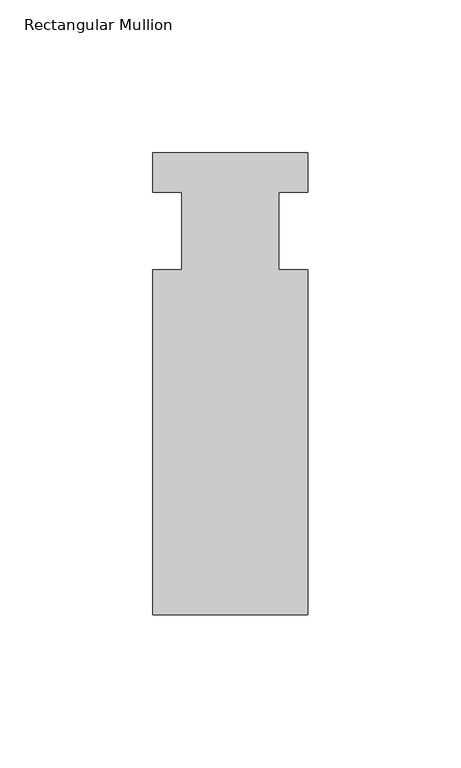
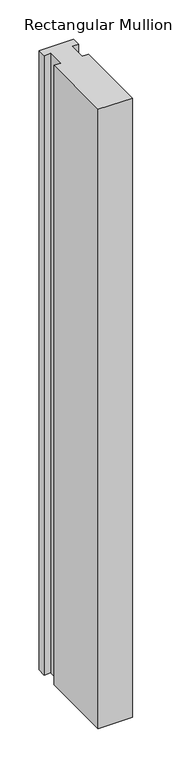
"""IFC4 building model written with IfcOpenShell, lengths in millimetres: member geometry, Rectangular Mullion."""

from ifc_helpers import new_model, si_unit, frame, origin, place, context, project, spatial, polyline, outline, extrude, source, transform, mapped, element, save


def rectangular_mullion_0e9f2f1b(model_context):
    return source(origin(), model_context, "Body", "SweptSolid", [
        extrude(outline(polyline([(-25.4, 25.58415), (25.4, 25.58415), (25.4, 12.7), (15.875, 12.7), (15.875, -12.7), (25.4, -12.7), (25.4, -125.59665), (-25.4, -125.59665), (-25.4, -12.7), (-15.875, -12.7), (-15.875, 12.7), (-25.4, 12.7), (-25.4, 25.58415)])), frame((0.0, 0.0, -965.2), z_axis=(0.0, 0.0, 1.0), x_axis=(1.0, 0.0, 0.0)), (0.0, 0.0, 1.0), 965.2),
    ])


if __name__ == "__main__":
    model = new_model("IFC4")
    model_context = context("Model", 3, world=origin())
    ifc_project = project(units=[si_unit("LENGTHUNIT", "METRE", prefix="MILLI")], contexts=[model_context])
    site = spatial("IfcSite", under=ifc_project)
    building = spatial("IfcBuilding", under=site)
    placement = place(None, origin())
    rectangular_mullion_shape = rectangular_mullion_0e9f2f1b(model_context)
    element("IfcMember", 1, ObjectType="Rectangular Mullion", at=placement, inside=building, context=model_context, shape_type="MappedRepresentation", body=[
        mapped(rectangular_mullion_shape, transform((0.0, 0.0, 0.0), x_axis=(1.0, 0.0, 0.0), y_axis=(0.0, 1.0, 0.0), z_axis=(0.0, 0.0, 1.0))),
    ])
    save(model, "model.ifc")
